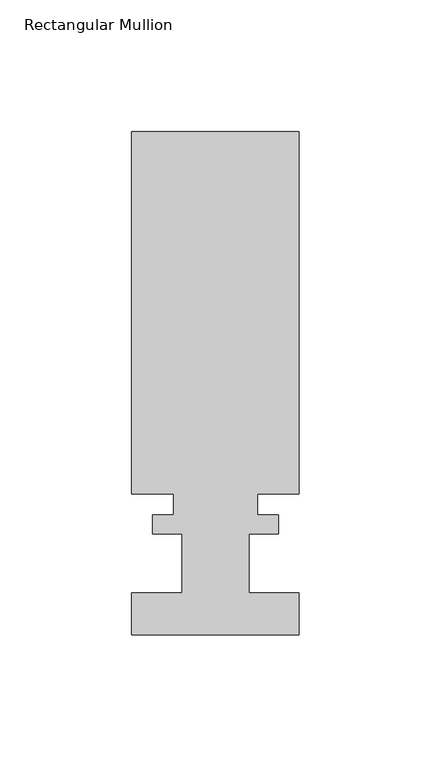
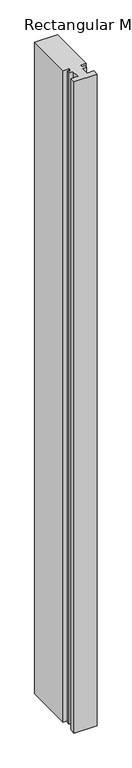
"""IFC4 building model written with IfcOpenShell, lengths in millimetres: member geometry, Rectangular Mullion."""

from ifc_helpers import new_model, si_unit, frame, origin, place, context, project, spatial, polyline, outline, extrude, source, transform, mapped, element, save


def rectangular_mullion_db92155c(model_context):
    return source(origin(), model_context, "Body", "SweptSolid", [
        extrude(outline(polyline([(-31.75, 0.142875), (-31.75, 16.017875), (-12.7, 16.017875), (-12.7, 38.496875), (-23.8252, 38.496875), (-23.8252, 45.659675), (-15.875, 45.659675), (-15.875, 53.559075), (-31.75, 53.559075), (-31.75, 190.896875), (31.75, 190.896875), (31.75, 53.559075), (15.875, 53.559075), (15.875, 45.659675), (23.8252, 45.659675), (23.8252, 38.496875), (12.7, 38.496875), (12.7, 16.017875), (31.75, 16.017875), (31.75, 0.142875), (-31.75, 0.142875)])), frame((0.0, 0.0, -1915.4804363), z_axis=(0.0, 0.0, 1.0), x_axis=(1.0, 0.0, 0.0)), (0.0, 0.0, 1.0), 1915.4804363),
    ])


if __name__ == "__main__":
    model = new_model("IFC4")
    model_context = context("Model", 3, world=origin())
    ifc_project = project(units=[si_unit("LENGTHUNIT", "METRE", prefix="MILLI")], contexts=[model_context])
    site = spatial("IfcSite", under=ifc_project)
    building = spatial("IfcBuilding", under=site)
    placement = place(None, origin())
    rectangular_mullion_shape = rectangular_mullion_db92155c(model_context)
    element("IfcMember", 1, ObjectType="Rectangular Mullion", at=placement, inside=building, context=model_context, shape_type="MappedRepresentation", body=[
        mapped(rectangular_mullion_shape, transform((0.0, 0.0, 0.0), x_axis=(1.0, 0.0, 0.0), y_axis=(0.0, 1.0, 0.0), z_axis=(0.0, 0.0, 1.0))),
    ])
    save(model, "model.ifc")
